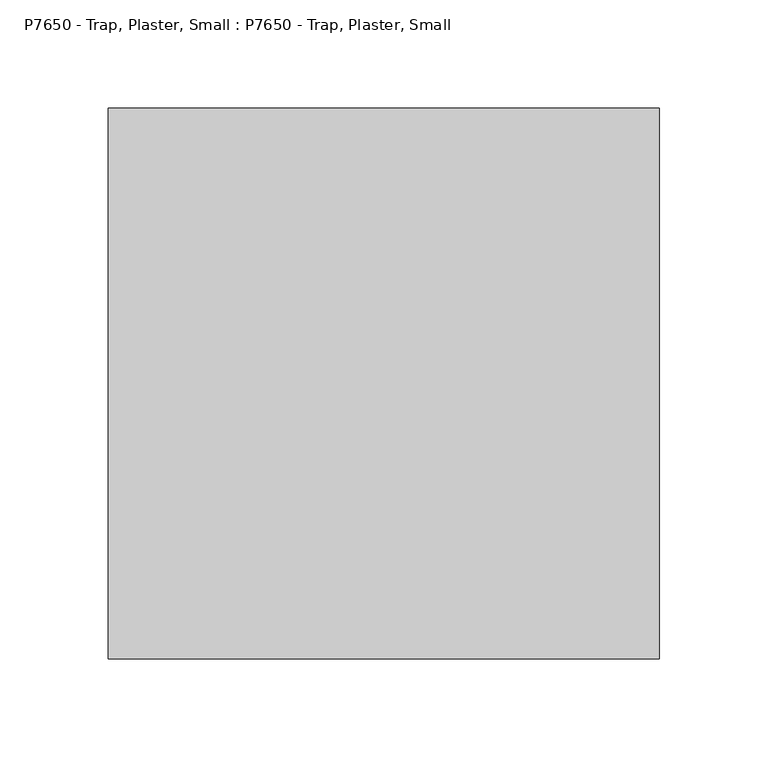
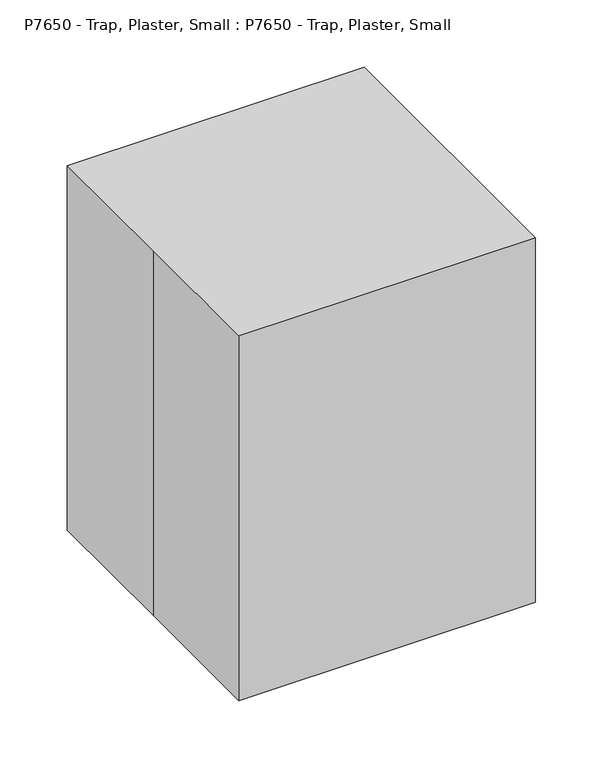
"""IFC4 building model written with IfcOpenShell, lengths in millimetres: proxy geometry, P7650 - Trap, Plaster, Small : P7650 - Trap, Plaster, Small."""

from ifc_helpers import new_model, si_unit, origin, origin_with_axes, place, context, project, spatial, polyline, outline, extrude, source, transform, mapped, element, save


def p7650_trap_plaster_small_p7650_trap_plaster_small_c88a529a(model_context):
    return source(origin(), model_context, "Body", "SweptSolid", [
        extrude(outline(polyline([(113.4557935, 114.5900557), (113.4557935, -114.0099443), (-115.1442065, -114.0099443), (-115.1442065, 114.5900557), (113.4557935, 114.5900557)])), origin_with_axes(), (0.0, 0.0, 1.0), 304.8),
        extrude(outline(polyline([(-127.0, 127.0), (127.0, 127.0), (127.0, -127.0), (-127.0, -127.0), (-127.0, 0.0), (-127.0, 127.0)])), origin_with_axes(), (0.0, 0.0, 1.0), 330.2),
    ])


if __name__ == "__main__":
    model = new_model("IFC4")
    model_context = context("Model", 3, world=origin())
    ifc_project = project(units=[si_unit("LENGTHUNIT", "METRE", prefix="MILLI")], contexts=[model_context])
    site = spatial("IfcSite", under=ifc_project)
    building = spatial("IfcBuilding", under=site)
    placement = place(None, origin())
    p7650_trap_plaster_small_p7650_trap_plaster_small_shape = p7650_trap_plaster_small_p7650_trap_plaster_small_c88a529a(model_context)
    element("IfcBuildingElementProxy", 1, Name="P7650 - Trap, Plaster, Small : P7650 - Trap, Plaster, Small", ObjectType="P7650 - Trap, Plaster, Small : P7650 - Trap, Plaster, Small", at=placement, inside=building, context=model_context, shape_type="MappedRepresentation", body=[
        mapped(p7650_trap_plaster_small_p7650_trap_plaster_small_shape, transform((0.0, 0.0, 0.0), x_axis=(1.0, 0.0, 0.0), y_axis=(0.0, 1.0, 0.0), z_axis=(0.0, 0.0, 1.0))),
    ])
    save(model, "model.ifc")
